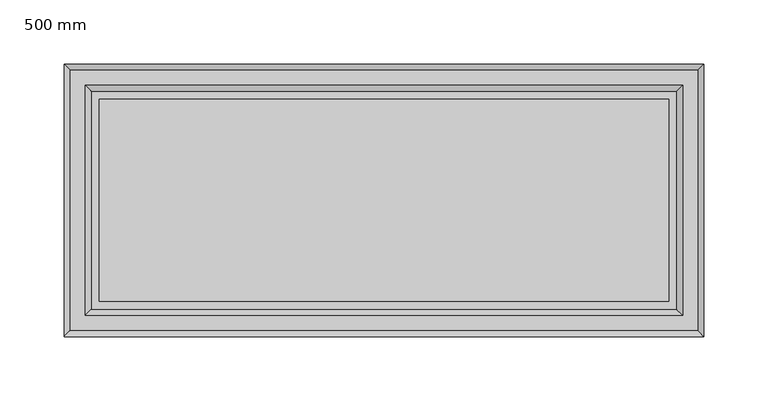
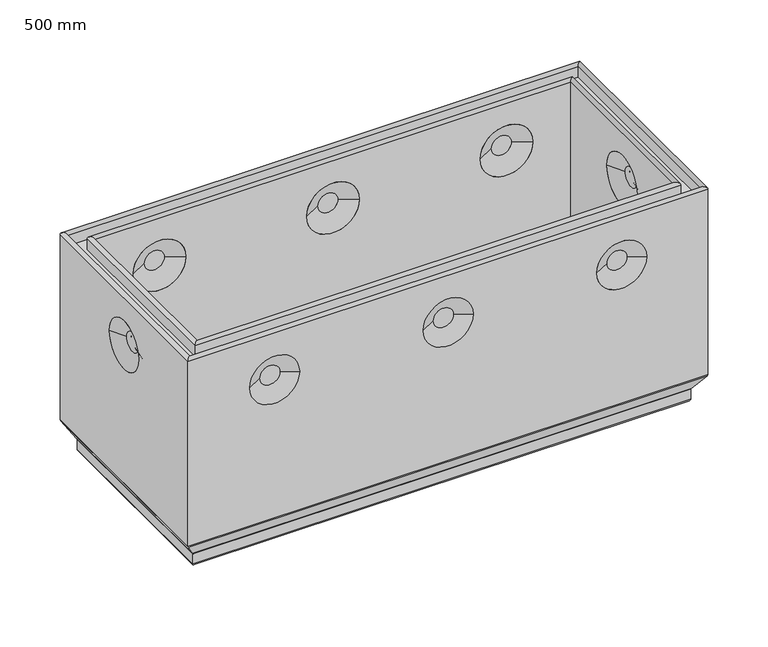
"""IFC4 building model written with IfcOpenShell, lengths in millimetres: proxy geometry, 500 mm."""

from ifc_helpers import new_model, si_unit, frame, origin, place, context, project, spatial, polyline, circle_curve, ellipse_curve, outline, extrude, source, transform, mapped, element, save
from ifc_brep_helpers import plane_surface, cylinder_surface, revolved_surface, advanced_brep


def proxy_500_mm_4190a107(model_context):
    return source(origin(), model_context, "Body", "SolidModel", [
        advanced_brep(
        [(471.9583184, 78.5563946, 0.0), (471.9583184, 78.5563946, -18.8303869), (471.9583184, -78.9583184, -18.8303869), (471.9583184, -78.9583184, 0.0), (478.4019238, 85.0, 199.6747049), (478.4019238, 85.0, 0.0), (478.4019238, -85.4019238, 0.0), (478.4019238, -85.4019238, 199.6747049), (478.4019238, -25.4516455, 151.8137619), (478.4019238, 25.0497217, 151.8137619), (482.9119238, -89.9119238, 199.6747049), (482.9119238, 89.51, 199.6747049), (482.9119238, -89.9119238, 188.7297049), (482.9119238, 89.51, 188.7297049), (494.8919238, 101.49, 199.6750917), (494.8919238, 101.49, 188.7297049), (494.8919238, -101.8919238, 188.7297049), (494.8919238, -101.8919238, 199.6750917), (499.4019238, -106.4019238, 199.6750917), (499.4019238, 106.0, 199.6750917), (499.4019238, -106.4019238, 11.767597), (499.4019238, 106.0, 11.767597), (499.4019238, 24.1333103, 151.8137619), (499.4019238, -24.5352341, 151.8137619), (498.9320981, -105.9320981, 10.1556982), (498.9320981, 105.5301743, 10.1556982), (489.1932312, -96.1932312, -5.1312607), (489.1932312, 95.7913074, -5.1312607), (488.9583184, -95.9583184, -5.9372101), (488.9583184, 95.5563946, -5.9372101), (488.9583184, -95.9583184, -15.8303869), (488.9583184, 95.5563946, -15.8303869), (485.9583184, -92.9583184, -18.8303869), (485.9583184, 92.5563946, -18.8303869), (28.0416816, -78.9583184, -18.8303869), (28.0416816, -78.9583184, 0.0), (21.5980762, -85.4019238, 0.0), (21.5980762, -85.4019238, 199.6747049), (58.4993164, -85.4019238, 151.8137619), (109.0006836, -85.4019238, 151.8137619), (224.9993164, -85.4019238, 151.8137619), (275.5006836, -85.4019238, 151.8137619), (391.4993164, -85.4019238, 151.8137619), (442.0006836, -85.4019238, 151.8137619), (17.0880762, -89.9119238, 199.6747049), (17.0880762, -89.9119238, 188.7297049), (5.1080762, -101.8919238, 188.7297049), (5.1080762, -101.8919238, 199.6750917), (0.5980762, -106.4019238, 199.6750917), (0.5980762, -106.4019238, 11.767597), (107.6260665, -106.4019238, 151.8137619), (59.8739335, -106.4019238, 151.8137619), (274.1260665, -106.4019238, 151.8137619), (226.3739335, -106.4019238, 151.8137619), (440.6260665, -106.4019238, 151.8137619), (392.8739335, -106.4019238, 151.8137619), (1.0679019, -105.9320981, 10.1556982), (10.8067688, -96.1932312, -5.1312607), (11.0416816, -95.9583184, -5.9372101), (11.0416816, -95.9583184, -15.8303869), (14.0416816, -92.9583184, -18.8303869), (28.0416816, 78.5563946, -18.8303869), (28.0416816, 78.5563946, 0.0), (21.5980762, 85.0, 0.0), (21.5980762, 85.0, 199.6747049), (21.5980762, 25.0497217, 151.8137619), (21.5980762, -25.4516455, 151.8137619), (17.0880762, 89.51, 199.6747049), (17.0880762, 89.51, 188.7297049), (5.1080762, 101.49, 188.7297049), (5.1080762, 101.49, 199.6750917), (0.5980762, 106.0, 199.6750917), (0.5980762, 106.0, 11.767597), (0.5980762, -24.5352341, 151.8137619), (0.5980762, 24.1333103, 151.8137619), (1.0679019, 105.5301743, 10.1556982), (10.8067688, 95.7913074, -5.1312607), (11.0416816, 95.5563946, -5.9372101), (11.0416816, 95.5563946, -15.8303869), (14.0416816, 92.5563946, -18.8303869), (109.0006836, 85.0, 151.8137619), (58.4993164, 85.0, 151.8137619), (275.5006836, 85.0, 151.8137619), (224.9993164, 85.0, 151.8137619), (442.0006836, 85.0, 151.8137619), (391.4993164, 85.0, 151.8137619), (59.4157278, 106.0, 151.8137619), (108.0842722, 106.0, 151.8137619), (225.9157278, 106.0, 151.8137619), (274.5842722, 106.0, 151.8137619), (392.4157278, 106.0, 151.8137619), (441.0842722, 106.0, 151.8137619), (74.1699511, 97.95, 151.8137619), (93.3300489, 97.95, 151.8137619), (74.1699511, -93.9519238, 151.8137619), (93.3300489, -93.9519238, 151.8137619), (240.6699511, 97.95, 151.8137619), (259.8300489, 97.95, 151.8137619), (240.6699511, -93.9519238, 151.8137619), (259.8300489, -93.9519238, 151.8137619), (407.1699511, 97.95, 151.8137619), (426.3300489, 97.95, 151.8137619), (407.1699511, -93.9519238, 151.8137619), (426.3300489, -93.9519238, 151.8137619), (74.1699511, 93.55, 151.8137619), (93.3300489, 93.55, 151.8137619), (240.6699511, 93.55, 151.8137619), (259.8300489, 93.55, 151.8137619), (407.1699511, 93.55, 151.8137619), (426.3300489, 93.55, 151.8137619), (74.1699511, -98.6019238, 151.8137619), (93.3300489, -98.6019238, 151.8137619), (240.6699511, -98.6019238, 151.8137619), (259.8300489, -98.6019238, 151.8137619), (407.1699511, -98.6019238, 151.8137619), (426.3300489, -98.6019238, 151.8137619), (8.6480762, -9.7810108, 151.8137619), (8.6480762, 9.379087, 151.8137619), (13.0480762, -9.7810108, 151.8137619), (13.0480762, 9.379087, 151.8137619), (491.3519238, -9.7810108, 151.8137619), (491.3519238, 9.379087, 151.8137619), (486.9519238, -9.7810108, 151.8137619), (486.9519238, 9.379087, 151.8137619)],
        [
            (0, 1),
            (1, 2),
            (2, 3),
            (3, 0),
            (4, 5),
            (5, 6),
            (6, 7),
            (7, 4),
            (8, 9, circle_curve(frame((478.4019238, -0.2009619, 151.8137619), z_axis=(1.0, 0.0, 0.0), x_axis=(0.0, 1.0, 0.0)), 25.2506836)),
            (9, 8, circle_curve(frame((478.4019238, -0.2009619, 151.8137619), z_axis=(1.0, 0.0, 0.0), x_axis=(0.0, -1.0, 0.0)), 25.2506836)),
            (7, 10, ellipse_curve(frame((480.6569238, -87.6569238, 199.6747049), z_axis=(0.7071067811865475, 0.7071067811865475, 0.0), x_axis=(-0.7071067811865474, 0.7071067811865476, 0.0)), 3.1890516, 2.255)),
            (10, 11),
            (11, 4, ellipse_curve(frame((480.6569238, 87.255, 199.6747049), z_axis=(0.7071067811865475, -0.7071067811865475, 0.0), x_axis=(0.7071067811865474, 0.7071067811865476, 0.0)), 3.1890516, 2.255)),
            (10, 12),
            (12, 13),
            (13, 11),
            (14, 15),
            (15, 16),
            (16, 17),
            (17, 14),
            (17, 18, ellipse_curve(frame((497.1469238, -104.1469238, 199.6750917), z_axis=(0.7071067811865475, 0.7071067811865475, 0.0), x_axis=(-0.7071067811865474, 0.7071067811865476, 0.0)), 3.1890516, 2.255)),
            (18, 19),
            (19, 14, ellipse_curve(frame((497.1469238, 103.745, 199.6750917), z_axis=(0.7071067811865475, -0.7071067811865475, 0.0), x_axis=(0.7071067811865474, 0.7071067811865476, 0.0)), 3.1890516, 2.255)),
            (18, 20),
            (20, 21),
            (21, 19),
            (22, 23, circle_curve(frame((499.4019238, -0.2009619, 151.8137619), z_axis=(-1.0, 0.0, 0.0), x_axis=(0.0, -1.0, 0.0)), 24.3342722)),
            (23, 22, circle_curve(frame((499.4019238, -0.2009619, 151.8137619), z_axis=(-1.0, 0.0, 0.0), x_axis=(0.0, 1.0, 0.0)), 24.3342722)),
            (20, 24, ellipse_curve(frame((496.4019238, -103.4019238, 11.767597), z_axis=(0.7071067811865475, 0.7071067811865475, 0.0), x_axis=(-0.7071067811865474, 0.7071067811865476, 0.0)), 4.2426407, 3.0)),
            (24, 25),
            (25, 21, ellipse_curve(frame((496.4019238, 103.0, 11.767597), z_axis=(0.7071067811865475, -0.7071067811865475, 0.0), x_axis=(0.7071067811865474, 0.7071067811865476, 0.0)), 4.2426407, 3.0)),
            (24, 26),
            (26, 27),
            (27, 25),
            (26, 28, ellipse_curve(frame((490.4583184, -97.4583184, -5.9372101), z_axis=(-0.7071067811865475, -0.7071067811865475, 0.0), x_axis=(0.7071067811865474, -0.7071067811865476, 0.0)), 2.1213203, 1.5)),
            (28, 29),
            (29, 27, ellipse_curve(frame((490.4583184, 97.0563946, -5.9372101), z_axis=(-0.7071067811865475, 0.7071067811865475, 0.0), x_axis=(-0.7071067811865474, -0.7071067811865476, 0.0)), 2.1213203, 1.5)),
            (28, 30),
            (30, 31),
            (31, 29),
            (30, 32, ellipse_curve(frame((485.9583184, -92.9583184, -15.8303869), z_axis=(0.7071067811865475, 0.7071067811865475, 0.0), x_axis=(-0.7071067811865474, 0.7071067811865476, 0.0)), 4.2426407, 3.0)),
            (32, 33),
            (33, 31, ellipse_curve(frame((485.9583184, 92.5563946, -15.8303869), z_axis=(0.7071067811865475, -0.7071067811865475, 0.0), x_axis=(0.7071067811865474, 0.7071067811865476, 0.0)), 4.2426407, 3.0)),
            (2, 34),
            (34, 35),
            (35, 3),
            (6, 36),
            (36, 37),
            (37, 7),
            (38, 39, circle_curve(frame((83.75, -85.4019238, 151.8137619), z_axis=(0.0, -1.0, 0.0), x_axis=(1.0, 0.0, 0.0)), 25.2506836)),
            (39, 38, circle_curve(frame((83.75, -85.4019238, 151.8137619), z_axis=(0.0, -1.0, 0.0), x_axis=(-1.0, 0.0, 0.0)), 25.2506836)),
            (40, 41, circle_curve(frame((250.25, -85.4019238, 151.8137619), z_axis=(0.0, -1.0, 0.0), x_axis=(1.0, 0.0, 0.0)), 25.2506836)),
            (41, 40, circle_curve(frame((250.25, -85.4019238, 151.8137619), z_axis=(0.0, -1.0, 0.0), x_axis=(-1.0, 0.0, 0.0)), 25.2506836)),
            (42, 43, circle_curve(frame((416.75, -85.4019238, 151.8137619), z_axis=(0.0, -1.0, 0.0), x_axis=(1.0, 0.0, 0.0)), 25.2506836)),
            (43, 42, circle_curve(frame((416.75, -85.4019238, 151.8137619), z_axis=(0.0, -1.0, 0.0), x_axis=(-1.0, 0.0, 0.0)), 25.2506836)),
            (37, 44, ellipse_curve(frame((19.3430762, -87.6569238, 199.6747049), z_axis=(0.7071067811865475, -0.7071067811865475, 0.0), x_axis=(0.7071067811865476, 0.7071067811865474, 0.0)), 3.1890516, 2.255)),
            (44, 10),
            (44, 45),
            (45, 12),
            (16, 46),
            (46, 47),
            (47, 17),
            (47, 48, ellipse_curve(frame((2.8530762, -104.1469238, 199.6750917), z_axis=(0.7071067811865475, -0.7071067811865475, 0.0), x_axis=(0.7071067811865476, 0.7071067811865474, 0.0)), 3.1890516, 2.255)),
            (48, 18),
            (48, 49),
            (49, 20),
            (50, 51, circle_curve(frame((83.75, -106.4019238, 151.8137619), z_axis=(0.0, 1.0, 0.0), x_axis=(-1.0, 0.0, 0.0)), 23.8760665)),
            (51, 50, circle_curve(frame((83.75, -106.4019238, 151.8137619), z_axis=(0.0, 1.0, 0.0), x_axis=(1.0, 0.0, 0.0)), 23.8760665)),
            (52, 53, circle_curve(frame((250.25, -106.4019238, 151.8137619), z_axis=(0.0, 1.0, 0.0), x_axis=(-1.0, 0.0, 0.0)), 23.8760665)),
            (53, 52, circle_curve(frame((250.25, -106.4019238, 151.8137619), z_axis=(0.0, 1.0, 0.0), x_axis=(1.0, 0.0, 0.0)), 23.8760665)),
            (54, 55, circle_curve(frame((416.75, -106.4019238, 151.8137619), z_axis=(0.0, 1.0, 0.0), x_axis=(-1.0, 0.0, 0.0)), 23.8760665)),
            (55, 54, circle_curve(frame((416.75, -106.4019238, 151.8137619), z_axis=(0.0, 1.0, 0.0), x_axis=(1.0, 0.0, 0.0)), 23.8760665)),
            (49, 56, ellipse_curve(frame((3.5980762, -103.4019238, 11.767597), z_axis=(0.7071067811865475, -0.7071067811865475, 0.0), x_axis=(0.7071067811865476, 0.7071067811865474, 0.0)), 4.2426407, 3.0)),
            (56, 24),
            (56, 57),
            (57, 26),
            (57, 58, ellipse_curve(frame((9.5416816, -97.4583184, -5.9372101), z_axis=(-0.7071067811865475, 0.7071067811865475, 0.0), x_axis=(-0.7071067811865476, -0.7071067811865474, 0.0)), 2.1213203, 1.5)),
            (58, 28),
            (58, 59),
            (59, 30),
            (59, 60, ellipse_curve(frame((14.0416816, -92.9583184, -15.8303869), z_axis=(0.7071067811865475, -0.7071067811865475, 0.0), x_axis=(0.7071067811865476, 0.7071067811865474, 0.0)), 4.2426407, 3.0)),
            (60, 32),
            (34, 61),
            (61, 62),
            (62, 35),
            (36, 63),
            (63, 64),
            (64, 37),
            (65, 66, circle_curve(frame((21.5980762, -0.2009619, 151.8137619), z_axis=(-1.0, 0.0, 0.0), x_axis=(0.0, -1.0, 0.0)), 25.2506836)),
            (66, 65, circle_curve(frame((21.5980762, -0.2009619, 151.8137619), z_axis=(-1.0, 0.0, 0.0), x_axis=(0.0, 1.0, 0.0)), 25.2506836)),
            (64, 67, ellipse_curve(frame((19.3430762, 87.255, 199.6747049), z_axis=(-0.7071067811865475, -0.7071067811865475, 0.0), x_axis=(0.7071067811865474, -0.7071067811865476, 0.0)), 3.1890516, 2.255)),
            (67, 44),
            (67, 68),
            (68, 45),
            (46, 69),
            (69, 70),
            (70, 47),
            (70, 71, ellipse_curve(frame((2.8530762, 103.745, 199.6750917), z_axis=(-0.7071067811865475, -0.7071067811865475, 0.0), x_axis=(0.7071067811865474, -0.7071067811865476, 0.0)), 3.1890516, 2.255)),
            (71, 48),
            (71, 72),
            (72, 49),
            (73, 74, circle_curve(frame((0.5980762, -0.2009619, 151.8137619), z_axis=(1.0, 0.0, 0.0), x_axis=(0.0, 1.0, 0.0)), 24.3342722)),
            (74, 73, circle_curve(frame((0.5980762, -0.2009619, 151.8137619), z_axis=(1.0, 0.0, 0.0), x_axis=(0.0, -1.0, 0.0)), 24.3342722)),
            (72, 75, ellipse_curve(frame((3.5980762, 103.0, 11.767597), z_axis=(-0.7071067811865475, -0.7071067811865475, 0.0), x_axis=(0.7071067811865474, -0.7071067811865476, 0.0)), 4.2426407, 3.0)),
            (75, 56),
            (75, 76),
            (76, 57),
            (76, 77, ellipse_curve(frame((9.5416816, 97.0563946, -5.9372101), z_axis=(0.7071067811865475, 0.7071067811865475, 0.0), x_axis=(-0.7071067811865474, 0.7071067811865476, 0.0)), 2.1213203, 1.5)),
            (77, 58),
            (77, 78),
            (78, 59),
            (78, 79, ellipse_curve(frame((14.0416816, 92.5563946, -15.8303869), z_axis=(-0.7071067811865475, -0.7071067811865475, 0.0), x_axis=(0.7071067811865474, -0.7071067811865476, 0.0)), 4.2426407, 3.0)),
            (79, 60),
            (0, 62),
            (61, 1),
            (5, 63),
            (4, 64),
            (80, 81, circle_curve(frame((83.75, 85.0, 151.8137619), z_axis=(0.0, 1.0, 0.0), x_axis=(-1.0, 0.0, 0.0)), 25.2506836)),
            (81, 80, circle_curve(frame((83.75, 85.0, 151.8137619), z_axis=(0.0, 1.0, 0.0), x_axis=(1.0, 0.0, 0.0)), 25.2506836)),
            (82, 83, circle_curve(frame((250.25, 85.0, 151.8137619), z_axis=(0.0, 1.0, 0.0), x_axis=(-1.0, 0.0, 0.0)), 25.2506836)),
            (83, 82, circle_curve(frame((250.25, 85.0, 151.8137619), z_axis=(0.0, 1.0, 0.0), x_axis=(1.0, 0.0, 0.0)), 25.2506836)),
            (84, 85, circle_curve(frame((416.75, 85.0, 151.8137619), z_axis=(0.0, 1.0, 0.0), x_axis=(-1.0, 0.0, 0.0)), 25.2506836)),
            (85, 84, circle_curve(frame((416.75, 85.0, 151.8137619), z_axis=(0.0, 1.0, 0.0), x_axis=(1.0, 0.0, 0.0)), 25.2506836)),
            (11, 67),
            (13, 68),
            (15, 69),
            (14, 70),
            (19, 71),
            (21, 72),
            (86, 87, circle_curve(frame((83.75, 106.0, 151.8137619), z_axis=(0.0, -1.0, 0.0), x_axis=(1.0, 0.0, 0.0)), 24.3342722)),
            (87, 86, circle_curve(frame((83.75, 106.0, 151.8137619), z_axis=(0.0, -1.0, 0.0), x_axis=(-1.0, 0.0, 0.0)), 24.3342722)),
            (88, 89, circle_curve(frame((250.25, 106.0, 151.8137619), z_axis=(0.0, -1.0, 0.0), x_axis=(1.0, 0.0, 0.0)), 24.3342722)),
            (89, 88, circle_curve(frame((250.25, 106.0, 151.8137619), z_axis=(0.0, -1.0, 0.0), x_axis=(-1.0, 0.0, 0.0)), 24.3342722)),
            (90, 91, circle_curve(frame((416.75, 106.0, 151.8137619), z_axis=(0.0, -1.0, 0.0), x_axis=(1.0, 0.0, 0.0)), 24.3342722)),
            (91, 90, circle_curve(frame((416.75, 106.0, 151.8137619), z_axis=(0.0, -1.0, 0.0), x_axis=(-1.0, 0.0, 0.0)), 24.3342722)),
            (25, 75),
            (27, 76),
            (29, 77),
            (31, 78),
            (33, 79),
            (92, 93, circle_curve(frame((83.75, 97.95, 151.8137619), z_axis=(0.0, 1.0, 0.0), x_axis=(-1.0, 0.0, 0.0)), 9.5800489)),
            (93, 92, circle_curve(frame((83.75, 97.95, 151.8137619), z_axis=(0.0, 1.0, 0.0), x_axis=(1.0, 0.0, 0.0)), 9.5800489)),
            (93, 87),
            (86, 92),
            (94, 95, circle_curve(frame((83.75, -93.9519238, 151.8137619), z_axis=(0.0, 1.0, 0.0), x_axis=(-1.0, 0.0, 0.0)), 9.5800489)),
            (95, 94, circle_curve(frame((83.75, -93.9519238, 151.8137619), z_axis=(0.0, 1.0, 0.0), x_axis=(1.0, 0.0, 0.0)), 9.5800489)),
            (95, 39),
            (38, 94),
            (96, 97, circle_curve(frame((250.25, 97.95, 151.8137619), z_axis=(0.0, 1.0, 0.0), x_axis=(-1.0, 0.0, 0.0)), 9.5800489)),
            (97, 96, circle_curve(frame((250.25, 97.95, 151.8137619), z_axis=(0.0, 1.0, 0.0), x_axis=(1.0, 0.0, 0.0)), 9.5800489)),
            (97, 89),
            (88, 96),
            (98, 99, circle_curve(frame((250.25, -93.9519238, 151.8137619), z_axis=(0.0, 1.0, 0.0), x_axis=(-1.0, 0.0, 0.0)), 9.5800489)),
            (99, 98, circle_curve(frame((250.25, -93.9519238, 151.8137619), z_axis=(0.0, 1.0, 0.0), x_axis=(1.0, 0.0, 0.0)), 9.5800489)),
            (99, 41),
            (40, 98),
            (100, 101, circle_curve(frame((416.75, 97.95, 151.8137619), z_axis=(0.0, 1.0, 0.0), x_axis=(-1.0, 0.0, 0.0)), 9.5800489)),
            (101, 100, circle_curve(frame((416.75, 97.95, 151.8137619), z_axis=(0.0, 1.0, 0.0), x_axis=(1.0, 0.0, 0.0)), 9.5800489)),
            (101, 91),
            (90, 100),
            (102, 103, circle_curve(frame((416.75, -93.9519238, 151.8137619), z_axis=(0.0, 1.0, 0.0), x_axis=(-1.0, 0.0, 0.0)), 9.5800489)),
            (103, 102, circle_curve(frame((416.75, -93.9519238, 151.8137619), z_axis=(0.0, 1.0, 0.0), x_axis=(1.0, 0.0, 0.0)), 9.5800489)),
            (103, 43),
            (42, 102),
            (104, 105, circle_curve(frame((83.75, 93.55, 151.8137619), z_axis=(0.0, -1.0, 0.0), x_axis=(-1.0, 0.0, 0.0)), 9.5800489)),
            (105, 104, circle_curve(frame((83.75, 93.55, 151.8137619), z_axis=(0.0, -1.0, 0.0), x_axis=(1.0, 0.0, 0.0)), 9.5800489)),
            (104, 81),
            (80, 105),
            (106, 107, circle_curve(frame((250.25, 93.55, 151.8137619), z_axis=(0.0, -1.0, 0.0), x_axis=(-1.0, 0.0, 0.0)), 9.5800489)),
            (107, 106, circle_curve(frame((250.25, 93.55, 151.8137619), z_axis=(0.0, -1.0, 0.0), x_axis=(1.0, 0.0, 0.0)), 9.5800489)),
            (106, 83),
            (82, 107),
            (108, 109, circle_curve(frame((416.75, 93.55, 151.8137619), z_axis=(0.0, -1.0, 0.0), x_axis=(-1.0, 0.0, 0.0)), 9.5800489)),
            (109, 108, circle_curve(frame((416.75, 93.55, 151.8137619), z_axis=(0.0, -1.0, 0.0), x_axis=(1.0, 0.0, 0.0)), 9.5800489)),
            (108, 85),
            (84, 109),
            (110, 111, circle_curve(frame((83.75, -98.6019238, 151.8137619), z_axis=(0.0, -1.0, 0.0), x_axis=(-1.0, 0.0, 0.0)), 9.5800489)),
            (111, 110, circle_curve(frame((83.75, -98.6019238, 151.8137619), z_axis=(0.0, -1.0, 0.0), x_axis=(1.0, 0.0, 0.0)), 9.5800489)),
            (110, 51),
            (50, 111),
            (112, 113, circle_curve(frame((250.25, -98.6019238, 151.8137619), z_axis=(0.0, -1.0, 0.0), x_axis=(-1.0, 0.0, 0.0)), 9.5800489)),
            (113, 112, circle_curve(frame((250.25, -98.6019238, 151.8137619), z_axis=(0.0, -1.0, 0.0), x_axis=(1.0, 0.0, 0.0)), 9.5800489)),
            (112, 53),
            (52, 113),
            (114, 115, circle_curve(frame((416.75, -98.6019238, 151.8137619), z_axis=(0.0, -1.0, 0.0), x_axis=(-1.0, 0.0, 0.0)), 9.5800489)),
            (115, 114, circle_curve(frame((416.75, -98.6019238, 151.8137619), z_axis=(0.0, -1.0, 0.0), x_axis=(1.0, 0.0, 0.0)), 9.5800489)),
            (114, 55),
            (54, 115),
            (116, 117, circle_curve(frame((8.6480762, -0.2009619, 151.8137619), z_axis=(-1.0, 0.0, 0.0), x_axis=(0.0, -1.0, 0.0)), 9.5800489)),
            (117, 116, circle_curve(frame((8.6480762, -0.2009619, 151.8137619), z_axis=(-1.0, 0.0, 0.0), x_axis=(0.0, 1.0, 0.0)), 9.5800489)),
            (117, 74),
            (73, 116),
            (118, 119, circle_curve(frame((13.0480762, -0.2009619, 151.8137619), z_axis=(1.0, 0.0, 0.0), x_axis=(0.0, -1.0, 0.0)), 9.5800489)),
            (119, 118, circle_curve(frame((13.0480762, -0.2009619, 151.8137619), z_axis=(1.0, 0.0, 0.0), x_axis=(0.0, 1.0, 0.0)), 9.5800489)),
            (118, 66),
            (65, 119),
            (120, 121, circle_curve(frame((491.3519238, -0.2009619, 151.8137619), z_axis=(1.0, 0.0, 0.0), x_axis=(0.0, -1.0, 0.0)), 9.5800489)),
            (121, 120, circle_curve(frame((491.3519238, -0.2009619, 151.8137619), z_axis=(1.0, 0.0, 0.0), x_axis=(0.0, 1.0, 0.0)), 9.5800489)),
            (120, 23),
            (22, 121),
            (122, 123, circle_curve(frame((486.9519238, -0.2009619, 151.8137619), z_axis=(-1.0, 0.0, 0.0), x_axis=(0.0, -1.0, 0.0)), 9.5800489)),
            (123, 122, circle_curve(frame((486.9519238, -0.2009619, 151.8137619), z_axis=(-1.0, 0.0, 0.0), x_axis=(0.0, 1.0, 0.0)), 9.5800489)),
            (123, 9),
            (8, 122),
        ],
        [
            plane_surface(frame((471.9583184, 78.5563946, -18.8303869), z_axis=(-1.0, 0.0, 0.0), x_axis=(0.0, -1.0, 0.0))),
            plane_surface(frame((478.4019238, 85.0, 0.0), z_axis=(-1.0, 0.0, 0.0), x_axis=(0.0, -1.0, 0.0))),
            cylinder_surface(frame((480.6569238, 85.0980762, 199.6747049), z_axis=(0.0, 1.0, 0.0), x_axis=(1.0, 0.0, 0.0)), 2.255),
            plane_surface(frame((482.9119238, 89.51, 199.6747049), z_axis=(1.0, 0.0, 0.0), x_axis=(0.0, -1.0, 0.0))),
            plane_surface(frame((494.8919238, 101.49, 188.7297049), z_axis=(-1.0, 0.0, 0.0), x_axis=(0.0, -1.0, 0.0))),
            cylinder_surface(frame((497.1469238, 85.0980762, 199.6750917), z_axis=(0.0, 1.0, 0.0), x_axis=(1.0, 0.0, 0.0)), 2.255),
            plane_surface(frame((499.4019238, 106.0, 199.6750917), z_axis=(1.0, 0.0, 0.0), x_axis=(0.0, -1.0, 0.0))),
            cylinder_surface(frame((496.4019238, 85.0980762, 11.767597), z_axis=(0.0, 1.0, 0.0), x_axis=(1.0, 0.0, 0.0)), 3.0),
            plane_surface(frame((498.9320981, 105.5301743, 10.1556982), z_axis=(0.8433914458128872, 0.0, -0.5372996083468217), x_axis=(0.0, -1.0, 0.0))),
            revolved_surface(polyline([(491.9583184, -98.95831836919866, -5.9372101), (491.9583184, 98.55639456919869, -5.9372101)]), (490.4583184, 85.0980762, -5.9372101), (0.0, -1.0, 0.0)),
            plane_surface(frame((488.9583184, 95.5563946, -5.9372101), z_axis=(1.0, 0.0, 0.0), x_axis=(0.0, -1.0, 0.0))),
            cylinder_surface(frame((485.9583184, 85.0980762, -15.8303869), z_axis=(0.0, 1.0, 0.0), x_axis=(1.0, 0.0, 0.0)), 3.0),
            plane_surface(frame((471.9583184, -78.9583184, -18.8303869), z_axis=(0.0, 1.0, 0.0), x_axis=(-1.0, 0.0, 0.0))),
            plane_surface(frame((478.4019238, -85.4019238, 0.0), z_axis=(0.0, 1.0, 0.0), x_axis=(-1.0, 0.0, 0.0))),
            cylinder_surface(frame((478.5, -87.6569238, 199.6747049), z_axis=(1.0, 0.0, 0.0), x_axis=(0.0, -1.0, 0.0)), 2.255),
            plane_surface(frame((482.9119238, -89.9119238, 199.6747049), z_axis=(0.0, -1.0, 0.0), x_axis=(-1.0, 0.0, 0.0))),
            plane_surface(frame((494.8919238, -101.8919238, 188.7297049), z_axis=(0.0, 1.0, 0.0), x_axis=(-1.0, 0.0, 0.0))),
            cylinder_surface(frame((478.5, -104.1469238, 199.6750917), z_axis=(1.0, 0.0, 0.0), x_axis=(0.0, -1.0, 0.0)), 2.255),
            plane_surface(frame((499.4019238, -106.4019238, 199.6750917), z_axis=(0.0, -1.0, 0.0), x_axis=(-1.0, 0.0, 0.0))),
            cylinder_surface(frame((478.5, -103.4019238, 11.767597), z_axis=(1.0, 0.0, 0.0), x_axis=(0.0, -1.0, 0.0)), 3.0),
            plane_surface(frame((498.9320981, -105.9320981, 10.1556982), z_axis=(0.0, -0.8433914458128872, -0.5372996083468217), x_axis=(-1.0, 0.0, 0.0))),
            revolved_surface(polyline([(8.04168163080135, -98.9583184, -5.9372101), (491.95831836919865, -98.9583184, -5.9372101)]), (478.5, -97.4583184, -5.9372101), (-1.0, 0.0, 0.0)),
            plane_surface(frame((488.9583184, -95.9583184, -5.9372101), z_axis=(0.0, -1.0, 0.0), x_axis=(-1.0, 0.0, 0.0))),
            cylinder_surface(frame((478.5, -92.9583184, -15.8303869), z_axis=(1.0, 0.0, 0.0), x_axis=(0.0, -1.0, 0.0)), 3.0),
            plane_surface(frame((28.0416816, -78.9583184, -18.8303869), z_axis=(1.0, 0.0, 0.0), x_axis=(0.0, 1.0, 0.0))),
            plane_surface(frame((21.5980762, -85.4019238, 0.0), z_axis=(1.0, 0.0, 0.0), x_axis=(0.0, 1.0, 0.0))),
            cylinder_surface(frame((19.3430762, -85.5, 199.6747049), z_axis=(0.0, -1.0, 0.0), x_axis=(-1.0, 0.0, 0.0)), 2.255),
            plane_surface(frame((17.0880762, -89.9119238, 199.6747049), z_axis=(-1.0, 0.0, 0.0), x_axis=(0.0, 1.0, 0.0))),
            plane_surface(frame((5.1080762, -101.8919238, 188.7297049), z_axis=(1.0, 0.0, 0.0), x_axis=(0.0, 1.0, 0.0))),
            cylinder_surface(frame((2.8530762, -85.5, 199.6750917), z_axis=(0.0, -1.0, 0.0), x_axis=(-1.0, 0.0, 0.0)), 2.255),
            plane_surface(frame((0.5980762, -106.4019238, 199.6750917), z_axis=(-1.0, 0.0, 0.0), x_axis=(0.0, 1.0, 0.0))),
            cylinder_surface(frame((3.5980762, -85.5, 11.767597), z_axis=(0.0, -1.0, 0.0), x_axis=(-1.0, 0.0, 0.0)), 3.0),
            plane_surface(frame((1.0679019, -105.9320981, 10.1556982), z_axis=(-0.8433914458128872, 0.0, -0.5372996083468217), x_axis=(0.0, 1.0, 0.0))),
            revolved_surface(polyline([(8.0416816, 98.55639456919869, -5.9372101), (8.0416816, -98.95831836919868, -5.9372101)]), (9.5416816, -85.5, -5.9372101), (0.0, 1.0, 0.0)),
            plane_surface(frame((11.0416816, -95.9583184, -5.9372101), z_axis=(-1.0, 0.0, 0.0), x_axis=(0.0, 1.0, 0.0))),
            cylinder_surface(frame((14.0416816, -85.5, -15.8303869), z_axis=(0.0, -1.0, 0.0), x_axis=(-1.0, 0.0, 0.0)), 3.0),
            plane_surface(frame((28.0416816, 78.5563946, -18.8303869), z_axis=(0.0, -1.0, 0.0), x_axis=(1.0, 0.0, 0.0))),
            plane_surface(frame((28.0416816, 78.5563946, 0.0), z_axis=(0.0, 0.0, 1.0), x_axis=(1.0, 0.0, 0.0))),
            plane_surface(frame((21.5980762, 85.0, 0.0), z_axis=(0.0, -1.0, 0.0), x_axis=(1.0, 0.0, 0.0))),
            cylinder_surface(frame((21.5, 87.255, 199.6747049), z_axis=(-1.0, 0.0, 0.0), x_axis=(0.0, 1.0, 0.0)), 2.255),
            plane_surface(frame((17.0880762, 89.51, 199.6747049), z_axis=(0.0, 1.0, 0.0), x_axis=(1.0, 0.0, 0.0))),
            plane_surface(frame((17.0880762, 89.51, 188.7297049), z_axis=(0.0, 0.0, 1.0), x_axis=(1.0, 0.0, 0.0))),
            plane_surface(frame((5.1080762, 101.49, 188.7297049), z_axis=(0.0, -1.0, 0.0), x_axis=(1.0, 0.0, 0.0))),
            cylinder_surface(frame((21.5, 103.745, 199.6750917), z_axis=(-1.0, 0.0, 0.0), x_axis=(0.0, 1.0, 0.0)), 2.255),
            plane_surface(frame((0.5980762, 106.0, 199.6750917), z_axis=(0.0, 1.0, 0.0), x_axis=(1.0, 0.0, 0.0))),
            cylinder_surface(frame((21.5, 103.0, 11.767597), z_axis=(-1.0, 0.0, 0.0), x_axis=(0.0, 1.0, 0.0)), 3.0),
            plane_surface(frame((1.0679019, 105.5301743, 10.1556982), z_axis=(0.0, 0.8433914458128872, -0.5372996083468217), x_axis=(1.0, 0.0, 0.0))),
            revolved_surface(polyline([(491.95831836919865, 98.5563946, -5.9372101), (8.04168163080132, 98.5563946, -5.9372101)]), (21.5, 97.0563946, -5.9372101), (1.0, 0.0, 0.0)),
            plane_surface(frame((11.0416816, 95.5563946, -5.9372101), z_axis=(0.0, 1.0, 0.0), x_axis=(1.0, 0.0, 0.0))),
            cylinder_surface(frame((21.5, 92.5563946, -15.8303869), z_axis=(-1.0, 0.0, 0.0), x_axis=(0.0, 1.0, 0.0)), 3.0),
            plane_surface(frame((14.0416816, 92.5563946, -18.8303869), z_axis=(0.0, 0.0, -1.0), x_axis=(1.0, 0.0, 0.0))),
            plane_surface(frame((83.75, 97.95, 151.8137619), z_axis=(0.0, 1.0, 0.0), x_axis=(0.0, 0.0, 1.0))),
            revolved_surface(polyline([(108.0842722, 106.0, 151.8137619), (93.33004894162178, 97.95, 151.8137619)]), (83.75, 92.7230631, 151.8137619), (0.0, 1.0, 0.0)),
            revolved_surface(polyline([(59.4157278, 106.0, 151.8137619), (74.16995105837822, 97.95, 151.8137619)]), (83.75, 92.7230631, 151.8137619), (0.0, 1.0, 0.0)),
            plane_surface(frame((83.75, -93.9519238, 151.8137619), z_axis=(0.0, 1.0, 0.0), x_axis=(0.0, 0.0, 1.0))),
            revolved_surface(polyline([(109.0006836, -85.4019238, 151.8137619), (93.33004894825822, -93.9519238, 151.8137619)]), (83.75, -99.1788607, 151.8137619), (0.0, 1.0, 0.0)),
            revolved_surface(polyline([(58.4993164, -85.4019238, 151.8137619), (74.16995105174178, -93.9519238, 151.8137619)]), (83.75, -99.1788607, 151.8137619), (0.0, 1.0, 0.0)),
            plane_surface(frame((250.25, 97.95, 151.8137619), z_axis=(0.0, 1.0, 0.0), x_axis=(0.0, 0.0, 1.0))),
            revolved_surface(polyline([(274.5842722, 106.0, 151.8137619), (259.8300489416218, 97.95, 151.8137619)]), (250.25, 92.7230631, 151.8137619), (0.0, 1.0, 0.0)),
            revolved_surface(polyline([(225.9157278, 106.0, 151.8137619), (240.66995105837822, 97.95, 151.8137619)]), (250.25, 92.7230631, 151.8137619), (0.0, 1.0, 0.0)),
            plane_surface(frame((250.25, -93.9519238, 151.8137619), z_axis=(0.0, 1.0, 0.0), x_axis=(0.0, 0.0, 1.0))),
            revolved_surface(polyline([(275.5006836, -85.4019238, 151.8137619), (259.8300489482582, -93.9519238, 151.8137619)]), (250.25, -99.1788607, 151.8137619), (0.0, 1.0, 0.0)),
            revolved_surface(polyline([(224.9993164, -85.4019238, 151.8137619), (240.66995105174178, -93.9519238, 151.8137619)]), (250.25, -99.1788607, 151.8137619), (0.0, 1.0, 0.0)),
            plane_surface(frame((416.75, 97.95, 151.8137619), z_axis=(0.0, 1.0, 0.0), x_axis=(0.0, 0.0, 1.0))),
            revolved_surface(polyline([(441.0842722, 106.0, 151.8137619), (426.3300489416218, 97.95, 151.8137619)]), (416.75, 92.7230631, 151.8137619), (0.0, 1.0, 0.0)),
            revolved_surface(polyline([(392.4157278, 106.0, 151.8137619), (407.1699510583782, 97.95, 151.8137619)]), (416.75, 92.7230631, 151.8137619), (0.0, 1.0, 0.0)),
            plane_surface(frame((416.75, -93.9519238, 151.8137619), z_axis=(0.0, 1.0, 0.0), x_axis=(0.0, 0.0, 1.0))),
            revolved_surface(polyline([(442.0006836, -85.4019238, 151.8137619), (426.3300489482582, -93.9519238, 151.8137619)]), (416.75, -99.1788607, 151.8137619), (0.0, 1.0, 0.0)),
            revolved_surface(polyline([(391.4993164, -85.4019238, 151.8137619), (407.1699510517418, -93.9519238, 151.8137619)]), (416.75, -99.1788607, 151.8137619), (0.0, 1.0, 0.0)),
            plane_surface(frame((83.75, 93.55, 151.8137619), z_axis=(0.0, -1.0, 0.0), x_axis=(0.0, 0.0, -1.0))),
            revolved_surface(polyline([(58.4993164, 85.0, 151.8137619), (74.16995105174178, 93.55, 151.8137619)]), (83.75, 98.7769369, 151.8137619), (0.0, -1.0, 0.0)),
            revolved_surface(polyline([(109.0006836, 85.0, 151.8137619), (93.33004894825822, 93.55, 151.8137619)]), (83.75, 98.7769369, 151.8137619), (0.0, -1.0, 0.0)),
            plane_surface(frame((250.25, 93.55, 151.8137619), z_axis=(0.0, -1.0, 0.0), x_axis=(0.0, 0.0, -1.0))),
            revolved_surface(polyline([(224.9993164, 85.0, 151.8137619), (240.66995105174178, 93.55, 151.8137619)]), (250.25, 98.7769369, 151.8137619), (0.0, -1.0, 0.0)),
            revolved_surface(polyline([(275.5006836, 85.0, 151.8137619), (259.8300489482582, 93.55, 151.8137619)]), (250.25, 98.7769369, 151.8137619), (0.0, -1.0, 0.0)),
            plane_surface(frame((416.75, 93.55, 151.8137619), z_axis=(0.0, -1.0, 0.0), x_axis=(0.0, 0.0, -1.0))),
            revolved_surface(polyline([(391.4993164, 85.0, 151.8137619), (407.1699510517418, 93.55, 151.8137619)]), (416.75, 98.7769369, 151.8137619), (0.0, -1.0, 0.0)),
            revolved_surface(polyline([(442.0006836, 85.0, 151.8137619), (426.3300489482582, 93.55, 151.8137619)]), (416.75, 98.7769369, 151.8137619), (0.0, -1.0, 0.0)),
            plane_surface(frame((83.75, -98.6019238, 151.8137619), z_axis=(0.0, -1.0, 0.0), x_axis=(0.0, 0.0, -1.0))),
            revolved_surface(polyline([(59.8739335, -106.4019238, 151.8137619), (74.16995106188749, -98.6019238, 151.8137619)]), (83.75, -93.3749869, 151.8137619), (0.0, -1.0, 0.0)),
            revolved_surface(polyline([(107.6260665, -106.4019238, 151.8137619), (93.33004893811251, -98.6019238, 151.8137619)]), (83.75, -93.3749869, 151.8137619), (0.0, -1.0, 0.0)),
            plane_surface(frame((250.25, -98.6019238, 151.8137619), z_axis=(0.0, -1.0, 0.0), x_axis=(0.0, 0.0, -1.0))),
            revolved_surface(polyline([(226.3739335, -106.4019238, 151.8137619), (240.66995106188747, -98.6019238, 151.8137619)]), (250.25, -93.3749869, 151.8137619), (0.0, -1.0, 0.0)),
            revolved_surface(polyline([(274.1260665, -106.4019238, 151.8137619), (259.8300489381125, -98.6019238, 151.8137619)]), (250.25, -93.3749869, 151.8137619), (0.0, -1.0, 0.0)),
            plane_surface(frame((416.75, -98.6019238, 151.8137619), z_axis=(0.0, -1.0, 0.0), x_axis=(0.0, 0.0, -1.0))),
            revolved_surface(polyline([(392.8739335, -106.4019238, 151.8137619), (407.1699510618875, -98.6019238, 151.8137619)]), (416.75, -93.3749869, 151.8137619), (0.0, -1.0, 0.0)),
            revolved_surface(polyline([(440.6260665, -106.4019238, 151.8137619), (426.3300489381125, -98.6019238, 151.8137619)]), (416.75, -93.3749869, 151.8137619), (0.0, -1.0, 0.0)),
            plane_surface(frame((8.6480762, -0.2009619, 151.8137619), z_axis=(-1.0, 0.0, 0.0), x_axis=(0.0, 0.0, 1.0))),
            revolved_surface(polyline([(0.5980761999999995, 24.1333103, 151.8137619), (8.6480762, 9.379087041621782, 151.8137619)]), (13.8750131, -0.2009619, 151.8137619), (-1.0, 0.0, 0.0)),
            revolved_surface(polyline([(0.5980761999999995, -24.5352341, 151.8137619), (8.6480762, -9.78101084162178, 151.8137619)]), (13.8750131, -0.2009619, 151.8137619), (-1.0, 0.0, 0.0)),
            plane_surface(frame((13.0480762, -0.2009619, 151.8137619), z_axis=(1.0, 0.0, 0.0), x_axis=(0.0, 0.0, -1.0))),
            revolved_surface(polyline([(21.5980762, -25.4516455, 151.8137619), (13.0480762, -9.781010848258218, 151.8137619)]), (7.8211393, -0.2009619, 151.8137619), (1.0, 0.0, 0.0)),
            revolved_surface(polyline([(21.5980762, 25.0497217, 151.8137619), (13.0480762, 9.379087048258219, 151.8137619)]), (7.8211393, -0.2009619, 151.8137619), (1.0, 0.0, 0.0)),
            plane_surface(frame((491.3519238, -0.2009619, 151.8137619), z_axis=(1.0, 0.0, 0.0), x_axis=(0.0, 0.0, -1.0))),
            revolved_surface(polyline([(499.4019238, -24.5352341, 151.8137619), (491.3519238, -9.781010841621772, 151.8137619)]), (486.1249869, -0.2009619, 151.8137619), (1.0, 0.0, 0.0)),
            revolved_surface(polyline([(499.4019238, 24.1333103, 151.8137619), (491.3519238, 9.379087041621773, 151.8137619)]), (486.1249869, -0.2009619, 151.8137619), (1.0, 0.0, 0.0)),
            plane_surface(frame((486.9519238, -0.2009619, 151.8137619), z_axis=(-1.0, 0.0, 0.0), x_axis=(0.0, 0.0, 1.0))),
            revolved_surface(polyline([(478.4019238, 25.0497217, 151.8137619), (486.9519238, 9.379087048258247, 151.8137619)]), (492.1788607, -0.2009619, 151.8137619), (-1.0, 0.0, 0.0)),
            revolved_surface(polyline([(478.4019238, -25.4516455, 151.8137619), (486.9519238, -9.781010848258248, 151.8137619)]), (492.1788607, -0.2009619, 151.8137619), (-1.0, 0.0, 0.0)),
        ],
        [
            (0, [[1, 2, 3, 4]]),
            (1, [[5, 6, 7, 8], [9, 10]]),
            (2, [[-8, 11, 12, 13]]),
            (3, [[-12, 14, 15, 16]]),
            (4, [[17, 18, 19, 20]]),
            (5, [[-20, 21, 22, 23]]),
            (6, [[-22, 24, 25, 26], [27, 28]]),
            (7, [[-25, 29, 30, 31]]),
            (8, [[-30, 32, 33, 34]]),
            (9, [[-33, 35, 36, 37]]),
            (10, [[-36, 38, 39, 40]]),
            (11, [[-39, 41, 42, 43]]),
            (12, [[-3, 44, 45, 46]]),
            (13, [[-7, 47, 48, 49], [50, 51], [52, 53], [54, 55]]),
            (14, [[-11, -49, 56, 57]]),
            (15, [[-14, -57, 58, 59]]),
            (16, [[-19, 60, 61, 62]]),
            (17, [[-21, -62, 63, 64]]),
            (18, [[-24, -64, 65, 66], [67, 68], [69, 70], [71, 72]]),
            (19, [[-29, -66, 73, 74]]),
            (20, [[-32, -74, 75, 76]]),
            (21, [[-35, -76, 77, 78]]),
            (22, [[-38, -78, 79, 80]]),
            (23, [[-41, -80, 81, 82]]),
            (24, [[-45, 83, 84, 85]]),
            (25, [[-48, 86, 87, 88], [89, 90]]),
            (26, [[-56, -88, 91, 92]]),
            (27, [[-58, -92, 93, 94]]),
            (28, [[-61, 95, 96, 97]]),
            (29, [[-63, -97, 98, 99]]),
            (30, [[-65, -99, 100, 101], [102, 103]]),
            (31, [[-73, -101, 104, 105]]),
            (32, [[-75, -105, 106, 107]]),
            (33, [[-77, -107, 108, 109]]),
            (34, [[-79, -109, 110, 111]]),
            (35, [[-81, -111, 112, 113]]),
            (36, [[-1, 114, -84, 115]]),
            (37, [[-6, 116, -86, -47], [-4, -46, -85, -114]]),
            (38, [[-5, 117, -87, -116], [118, 119], [120, 121], [122, 123]]),
            (39, [[-13, 124, -91, -117]]),
            (40, [[-16, 125, -93, -124]]),
            (41, [[-18, 126, -95, -60], [-15, -59, -94, -125]]),
            (42, [[-17, 127, -96, -126]]),
            (43, [[-23, 128, -98, -127]]),
            (44, [[-26, 129, -100, -128], [130, 131], [132, 133], [134, 135]]),
            (45, [[-31, 136, -104, -129]]),
            (46, [[-34, 137, -106, -136]]),
            (47, [[-37, 138, -108, -137]]),
            (48, [[-40, 139, -110, -138]]),
            (49, [[-43, 140, -112, -139]]),
            (50, [[-42, -82, -113, -140], [-2, -115, -83, -44]]),
            (51, [[141, 142]]),
            (52, [[-142, 143, -130, 144]]),
            (53, [[-141, -144, -131, -143]]),
            (54, [[145, 146]]),
            (55, [[-146, 147, -50, 148]]),
            (56, [[-145, -148, -51, -147]]),
            (57, [[149, 150]]),
            (58, [[-150, 151, -132, 152]]),
            (59, [[-149, -152, -133, -151]]),
            (60, [[153, 154]]),
            (61, [[-154, 155, -52, 156]]),
            (62, [[-153, -156, -53, -155]]),
            (63, [[157, 158]]),
            (64, [[-158, 159, -134, 160]]),
            (65, [[-157, -160, -135, -159]]),
            (66, [[161, 162]]),
            (67, [[-162, 163, -54, 164]]),
            (68, [[-161, -164, -55, -163]]),
            (69, [[165, 166]]),
            (70, [[-165, 167, -118, 168]]),
            (71, [[-166, -168, -119, -167]]),
            (72, [[169, 170]]),
            (73, [[-169, 171, -120, 172]]),
            (74, [[-170, -172, -121, -171]]),
            (75, [[173, 174]]),
            (76, [[-173, 175, -122, 176]]),
            (77, [[-174, -176, -123, -175]]),
            (78, [[177, 178]]),
            (79, [[-177, 179, -67, 180]]),
            (80, [[-178, -180, -68, -179]]),
            (81, [[181, 182]]),
            (82, [[-181, 183, -69, 184]]),
            (83, [[-182, -184, -70, -183]]),
            (84, [[185, 186]]),
            (85, [[-185, 187, -71, 188]]),
            (86, [[-186, -188, -72, -187]]),
            (87, [[189, 190]]),
            (88, [[-190, 191, -102, 192]]),
            (89, [[-189, -192, -103, -191]]),
            (90, [[193, 194]]),
            (91, [[-193, 195, -89, 196]]),
            (92, [[-194, -196, -90, -195]]),
            (93, [[197, 198]]),
            (94, [[-197, 199, -27, 200]]),
            (95, [[-198, -200, -28, -199]]),
            (96, [[201, 202]]),
            (97, [[-202, 203, -9, 204]]),
            (98, [[-201, -204, -10, -203]]),
        ],
    ),
        extrude(outline(polyline([(471.9583184, 78.5563946), (471.9583184, -78.9583184), (28.0416816, -78.9583184), (28.0416816, 78.5563946), (471.9583184, 78.5563946)])), frame((0.0, 0.0, -17.3303869), z_axis=(0.0, 0.0, 1.0), x_axis=(1.0, 0.0, 0.0)), (0.0, 0.0, 1.0), 17.3303869),
        extrude(outline(polyline([(401.75, -47.75), (399.75, -47.75), (399.75, 47.25), (401.75, 47.25), (401.75, -47.75)])), frame((0.0, 0.0, -26.8303869), z_axis=(0.0, 0.0, 1.0), x_axis=(1.0, 0.0, 0.0)), (0.0, 0.0, 1.0), 9.5),
        extrude(outline(polyline([(433.75, -47.75), (431.75, -47.75), (431.75, 47.25), (433.75, 47.25), (433.75, -47.75)])), frame((0.0, 0.0, -29.1940506), z_axis=(0.0, 0.0, 1.0), x_axis=(1.0, 0.0, 0.0)), (0.0, 0.0, 1.0), 10.1940506),
        extrude(outline(polyline([(235.25, -47.75), (233.25, -47.75), (233.25, 47.25), (235.25, 47.25), (235.25, -47.75)])), frame((0.0, 0.0, -26.8303869), z_axis=(0.0, 0.0, 1.0), x_axis=(1.0, 0.0, 0.0)), (0.0, 0.0, 1.0), 9.5),
        extrude(outline(polyline([(267.25, -47.75), (265.25, -47.75), (265.25, 47.25), (267.25, 47.25), (267.25, -47.75)])), frame((0.0, 0.0, -29.1940506), z_axis=(0.0, 0.0, 1.0), x_axis=(1.0, 0.0, 0.0)), (0.0, 0.0, 1.0), 10.1940506),
        extrude(outline(polyline([(68.75, -47.75), (66.75, -47.75), (66.75, 47.25), (68.75, 47.25), (68.75, -47.75)])), frame((0.0, 0.0, -26.8303869), z_axis=(0.0, 0.0, 1.0), x_axis=(1.0, 0.0, 0.0)), (0.0, 0.0, 1.0), 9.5),
        extrude(outline(polyline([(100.75, -47.75), (98.75, -47.75), (98.75, 47.25), (100.75, 47.25), (100.75, -47.75)])), frame((0.0, 0.0, -29.1940506), z_axis=(0.0, 0.0, 1.0), x_axis=(1.0, 0.0, 0.0)), (0.0, 0.0, 1.0), 10.1940506),
    ])


if __name__ == "__main__":
    model = new_model("IFC4")
    model_context = context("Model", 3, world=origin())
    ifc_project = project(units=[si_unit("LENGTHUNIT", "METRE", prefix="MILLI")], contexts=[model_context])
    site = spatial("IfcSite", under=ifc_project)
    building = spatial("IfcBuilding", under=site)
    placement = place(None, origin())
    proxy_500_mm_shape = proxy_500_mm_4190a107(model_context)
    element("IfcBuildingElementProxy", 1, Name="500 mm", ObjectType="500 mm", at=placement, inside=building, context=model_context, shape_type="MappedRepresentation", body=[
        mapped(proxy_500_mm_shape, transform((0.0, 0.0, 0.0), x_axis=(1.0, 0.0, 0.0), y_axis=(0.0, 1.0, 0.0), z_axis=(0.0, 0.0, 1.0))),
    ])
    save(model, "model.ifc")
